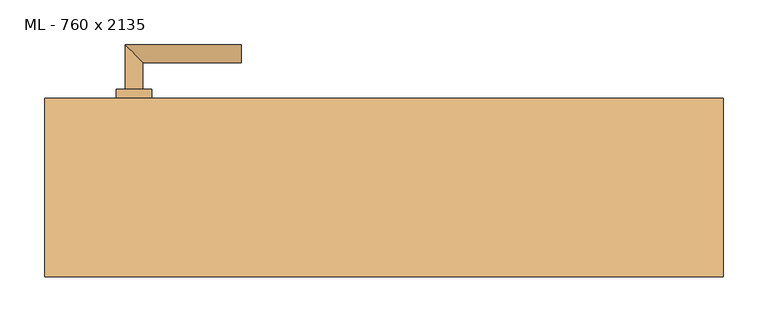
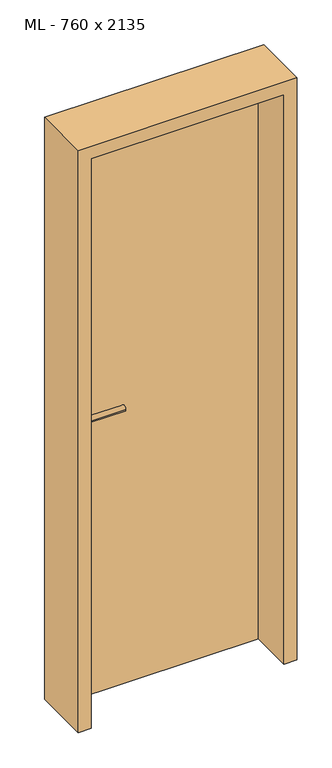
"""IFC4 building model written with IfcOpenShell, lengths in millimetres: door geometry, ML - 760 x 2135."""

import ifcopenshell
import ifcopenshell.guid

model = None  # the IFC model being written
_history = None  # IfcOwnerHistory: only IFC2X3 demands one
_inside = {}  # id of a spatial element -> (the spatial element, [elements in it])
_under = {}  # id of a project, library or spatial element -> (it, [spatial elements below it])
_declared = {}  # id of a project -> (the project, [libraries it declares])
_typed = {}  # id of a type object -> (the type object, [elements of that type])
_made_of = {}  # id of a material, layer set ... -> (it, [elements and type objects made of it])


def new_model(schema):
    """Start an empty IFC model of exactly this schema.

    Asked for "IFC4X3", IfcOpenShell would pick the latest addendum, in which some entities
    have other attributes; the version numbers below select the first issue.
    IFC2X3 requires an IfcOwnerHistory on every rooted entity: one is made here for all.
    """
    global model, _history
    if schema == "IFC4X3":
        model = ifcopenshell.file(schema_version=(4, 3, 0, 0))
    else:
        model = ifcopenshell.file(schema=schema)
    _inside.clear()
    _under.clear()
    _declared.clear()
    _typed.clear()
    _made_of.clear()
    _history = None
    if model.schema == "IFC2X3":
        org = make("IfcOrganization", Name="unknown")
        user = make(
            "IfcPersonAndOrganization",
            ThePerson=make("IfcPerson", FamilyName="unknown"),
            TheOrganization=org,
        )
        app = make(
            "IfcApplication",
            ApplicationDeveloper=org,
            Version="unknown",
            ApplicationFullName="unknown",
            ApplicationIdentifier="unknown",
        )
        _history = make(
            "IfcOwnerHistory",
            OwningUser=user,
            OwningApplication=app,
            ChangeAction="ADDED",
            CreationDate=0,
        )
    return model


def make(cls, **values):
    """One entity of the class cls with the attributes given. An attribute that is None is left unset."""
    return model.create_entity(
        cls, **{name: value for name, value in values.items() if value is not None}
    )


def rooted(cls, **values):
    """An entity with a GlobalId (a new one), such as an element, a storey or a relation."""
    return make(cls, GlobalId=ifcopenshell.guid.new(), OwnerHistory=_history, **values)


def si_unit(unit_type, name, prefix=None):
    """IfcSIUnit, for example si_unit("LENGTHUNIT", "METRE", prefix="MILLI")."""
    return make("IfcSIUnit", UnitType=unit_type, Prefix=prefix, Name=name)


def assignment(units):
    """IfcUnitAssignment: the units of a project."""
    return None if units is None else make("IfcUnitAssignment", Units=units)


def point(xyz):
    """IfcCartesianPoint."""
    return None if xyz is None else make("IfcCartesianPoint", Coordinates=xyz)


def direction(xyz):
    """IfcDirection."""
    return None if xyz is None else make("IfcDirection", DirectionRatios=xyz)


def frame(location, z_axis=None, x_axis=None):
    """IfcAxis2Placement3D, a coordinate frame: its origin and axes. An axis left out is left unset."""
    return make(
        "IfcAxis2Placement3D",
        Location=point(location),
        Axis=direction(z_axis),
        RefDirection=direction(x_axis),
    )


def frame_2d(location, x_axis=None):
    """IfcAxis2Placement2D, a coordinate frame in the plane: its origin and x axis."""
    return make(
        "IfcAxis2Placement2D", Location=point(location), RefDirection=direction(x_axis)
    )


def origin():
    """The frame at (0, 0, 0) with its axes left unset."""
    return frame((0.0, 0.0, 0.0))


def origin_with_axes():
    """The frame at (0, 0, 0) with the z axis (0, 0, 1) and the x axis (1, 0, 0) written out."""
    return frame((0.0, 0.0, 0.0), z_axis=(0.0, 0.0, 1.0), x_axis=(1.0, 0.0, 0.0))


def place(relative_to, where):
    """IfcLocalPlacement: puts the frame where relative to a parent placement (None: the world)."""
    return make(
        "IfcLocalPlacement", PlacementRelTo=relative_to, RelativePlacement=where
    )


def context(
    kind, dimensions, precision=None, world=None, true_north=None, identifier=None
):
    """IfcGeometricRepresentationContext, for example the 3D "Model" context."""
    return make(
        "IfcGeometricRepresentationContext",
        ContextIdentifier=identifier,
        ContextType=kind,
        CoordinateSpaceDimension=dimensions,
        Precision=precision,
        WorldCoordinateSystem=world,
        TrueNorth=true_north,
    )


def project(units=None, contexts=None):
    """IfcProject with its units and contexts."""
    return rooted(
        "IfcProject",
        Name="project",
        RepresentationContexts=contexts,
        UnitsInContext=assignment(units),
    )


def spatial(cls, under=None, at=None, **own):
    """A site, building, storey or space (cls), placed at a placement, below another one or the project."""
    s = rooted(cls, ObjectPlacement=at, **own)
    if under is not None:
        _under.setdefault(under.id(), (under, []))[1].append(s)
    return s


def polyline(points):
    """IfcPolyline through the points."""
    return make("IfcPolyline", Points=[point(p) for p in points])


def circle_curve(where, radius):
    """IfcCircle in the frame where."""
    return make("IfcCircle", Position=where, Radius=radius)


def ellipse_curve(where, semi_axis1, semi_axis2):
    """IfcEllipse in the frame where."""
    return make(
        "IfcEllipse", Position=where, SemiAxis1=semi_axis1, SemiAxis2=semi_axis2
    )


def trimmed(basis, trim1, trim2, sense, master):
    """IfcTrimmedCurve: the piece of a basis curve between two trims."""
    return make(
        "IfcTrimmedCurve",
        BasisCurve=basis,
        Trim1=trim1,
        Trim2=trim2,
        SenseAgreement=sense,
        MasterRepresentation=master,
    )


def segment(curve, same_sense, transition):
    """IfcCompositeCurveSegment."""
    return make(
        "IfcCompositeCurveSegment",
        Transition=transition,
        SameSense=same_sense,
        ParentCurve=curve,
    )


def composite_curve(segments, self_intersect=None):
    """IfcCompositeCurve: segments joined end to end."""
    return make("IfcCompositeCurve", Segments=segments, SelfIntersect=self_intersect)


def outline(outer, holes=None, kind="AREA"):
    """IfcArbitraryClosedProfileDef: a profile drawn as a closed curve; with holes, ...WithVoids."""
    if holes is None:
        return make("IfcArbitraryClosedProfileDef", ProfileType=kind, OuterCurve=outer)
    return make(
        "IfcArbitraryProfileDefWithVoids",
        ProfileType=kind,
        OuterCurve=outer,
        InnerCurves=holes,
    )


def extrude(swept, where, along, depth):
    """IfcExtrudedAreaSolid: the profile swept, set in the frame where, extruded along a direction by depth."""
    return make(
        "IfcExtrudedAreaSolid",
        SweptArea=swept,
        Position=where,
        ExtrudedDirection=direction(along),
        Depth=depth,
    )


def faces_of(points, faces, orient=None, outer=None):
    """IfcFace entities. A face is a list of loops; a loop is a list of indices into points, from 0.

    orient and outer hold one flag for each loop. By default every Orientation is true, the
    first loop of a face is its IfcFaceOuterBound and the others are IfcFaceBound.
    """
    made = []
    for i, loops in enumerate(faces):
        bounds = []
        for j, loop in enumerate(loops):
            is_outer = j == 0 if outer is None else outer[i][j]
            bounds.append(
                make(
                    "IfcFaceOuterBound" if is_outer else "IfcFaceBound",
                    Bound=make("IfcPolyLoop", Polygon=[points[k] for k in loop]),
                    Orientation=True if orient is None else orient[i][j],
                )
            )
        made.append(make("IfcFace", Bounds=bounds))
    return made


def faceted_brep(points, faces, orient=None, outer=None, voids=None):
    """IfcFacetedBrep: a solid bounded by flat faces; with voids (closed shells), ...WithVoids."""
    shared = [point(p) for p in points]
    hull = make("IfcClosedShell", CfsFaces=faces_of(shared, faces, orient, outer))
    if voids is None:
        return make("IfcFacetedBrep", Outer=hull)
    return make(
        "IfcFacetedBrepWithVoids",
        Outer=hull,
        Voids=[
            make(cls, CfsFaces=faces_of(shared, fs, o, b)) for cls, fs, o, b in voids
        ],
    )


def shape(context_of_items, identifier, shape_type, items):
    """IfcShapeRepresentation: the items that make up one representation, for example the "Body"."""
    return make(
        "IfcShapeRepresentation",
        ContextOfItems=context_of_items,
        RepresentationIdentifier=identifier,
        RepresentationType=shape_type,
        Items=items,
    )


def source(mapping_origin, context_of_items, identifier, shape_type, items):
    """IfcRepresentationMap: a shape defined once, which mapped items show again and again."""
    return make(
        "IfcRepresentationMap",
        MappingOrigin=mapping_origin,
        MappedRepresentation=shape(context_of_items, identifier, shape_type, items),
    )


def transform(
    local_origin,
    x_axis=None,
    y_axis=None,
    z_axis=None,
    scale=None,
    scale2=None,
    scale3=None,
    uniform=True,
):
    """IfcCartesianTransformationOperator3D, or its non-uniform kind. x_axis, y_axis, z_axis: its Axis1, 2, 3."""
    if uniform:
        return make(
            "IfcCartesianTransformationOperator3D",
            Axis1=direction(x_axis),
            Axis2=direction(y_axis),
            LocalOrigin=point(local_origin),
            Scale=scale,
            Axis3=direction(z_axis),
        )
    return make(
        "IfcCartesianTransformationOperator3DnonUniform",
        Axis1=direction(x_axis),
        Axis2=direction(y_axis),
        LocalOrigin=point(local_origin),
        Scale=scale,
        Axis3=direction(z_axis),
        Scale2=scale2,
        Scale3=scale3,
    )


def mapped(mapping_source, mapping_target):
    """IfcMappedItem: shows the shape of a source again, moved by a transform."""
    return make(
        "IfcMappedItem", MappingSource=mapping_source, MappingTarget=mapping_target
    )


def made_of(thing, what):
    """Note that an element or type object is made of a material, layer set ...; save() writes the relation."""
    if what is not None:
        _made_of.setdefault(what.id(), (what, []))[1].append(thing)
    return thing


def element(
    cls,
    number,
    at=None,
    inside=None,
    cuts=None,
    type_object=None,
    material=None,
    context=None,
    identifier="Body",
    shape_type=None,
    held_by="IfcProductDefinitionShape",
    body=None,
    shapes=None,
    **own,
):
    """One element of the class cls, such as IfcWall. Its Tag is "e" and its number.

    at: its placement. inside: the storey or other place that contains it. cuts: it is an
    opening in that element (IfcRelVoidsElement). A single representation is given by context,
    identifier, shape_type and body (its items); several are given by shapes. held_by: the class
    of the entity that holds the representations. save() writes the other relations.
    """
    e = rooted(cls, Tag="e%d" % number, ObjectPlacement=at, **own)
    if body is not None:
        shapes = [shape(context, identifier, shape_type, body)]
    if shapes is not None:
        e.Representation = make(held_by, Representations=shapes)
    if inside is not None:
        _inside.setdefault(inside.id(), (inside, []))[1].append(e)
    if cuts is not None:
        rooted(
            "IfcRelVoidsElement", RelatingBuildingElement=cuts, RelatedOpeningElement=e
        )
    if type_object is not None:
        _typed.setdefault(type_object.id(), (type_object, []))[1].append(e)
    return made_of(e, material)


def aggregate(whole, parts):
    """IfcRelAggregates: a whole, such as a stair, and the parts it consists of."""
    return rooted("IfcRelAggregates", RelatingObject=whole, RelatedObjects=parts)


def save(model, path):
    """Write the relations noted so far, then the file.

    IfcRelAggregates (storeys below a building ...), IfcRelContainedInSpatialStructure (elements
    in a storey), IfcRelDefinesByType, IfcRelAssociatesMaterial and IfcRelDeclares: one each for
    every whole, place, type object, material and project.
    """
    for whole, parts in _under.values():
        aggregate(whole, parts)
    for where, things in _inside.values():
        rooted(
            "IfcRelContainedInSpatialStructure",
            RelatedElements=things,
            RelatingStructure=where,
        )
    for kind, things in _typed.values():
        rooted("IfcRelDefinesByType", RelatedObjects=things, RelatingType=kind)
    for what, things in _made_of.values():
        rooted("IfcRelAssociatesMaterial", RelatedObjects=things, RelatingMaterial=what)
    for by, libraries in _declared.values():
        rooted("IfcRelDeclares", RelatingContext=by, RelatedDefinitions=libraries)
    model.write(path)


def plane_surface(at):
    """IfcPlane: the flat surface through the origin of the frame at, square to its z axis."""
    return make("IfcPlane", Position=at)


def cylinder_surface(at, radius):
    """IfcCylindricalSurface: all points at the distance radius from the z axis of the frame at."""
    return make("IfcCylindricalSurface", Position=at, Radius=radius)


def advanced_brep(points, edges, surfaces, faces):
    """IfcAdvancedBrep: a solid bounded by faces that lie on surfaces and meet in shared edges.

    An edge is (start, end): straight between two places in points (the first is 0);
    or (start, end, curve); or (start, end, curve, False) where it runs against its curve.
    A face is (place in surfaces, loops), or (place, loops, False) where it looks against
    its surface's normal. A loop lists edges by number (the first is 1), with a minus sign
    where the edge is run from its end to its start. The first loop is the outer one.
    """
    corners = [point(p) for p in points]
    vertices = [make("IfcVertexPoint", VertexGeometry=c) for c in corners]
    made = []
    for start, end, *more in edges:
        made.append(
            make(
                "IfcEdgeCurve",
                EdgeStart=vertices[start],
                EdgeEnd=vertices[end],
                EdgeGeometry=more[0] if more else make("IfcPolyline", Points=[corners[start], corners[end]]),
                SameSense=more[1] if len(more) > 1 else True,
            )
        )
    hull = []
    for where, loops, *sense in faces:
        bounds = []
        for j, loop in enumerate(loops):
            ring = [make("IfcOrientedEdge", EdgeElement=made[abs(k) - 1], Orientation=k > 0) for k in loop]
            bounds.append(
                make(
                    "IfcFaceOuterBound" if j == 0 else "IfcFaceBound",
                    Bound=make("IfcEdgeLoop", EdgeList=ring),
                    Orientation=True,
                )
            )
        hull.append(make("IfcAdvancedFace", Bounds=bounds, FaceSurface=surfaces[where], SameSense=sense[0] if sense else True))
    return make("IfcAdvancedBrep", Outer=make("IfcClosedShell", CfsFaces=hull))


def ml_760_x_2135_82ea1d2a(model_context):
    return source(origin(), model_context, "Body", "SolidModel", [
        extrude(outline(polyline([(346.0, 100.0), (346.0, 55.0), (-346.0, 55.0), (-346.0, 100.0), (346.0, 100.0)])), origin_with_axes(), (0.0, 0.0, 1.0), 2101.0),
        advanced_brep(
        [(-270.0, 110.0, 1050.0), (-290.0, 110.0, 1050.0), (-270.0, 140.0, 1050.0), (-290.0, 160.0, 1050.0), (-160.0, 140.0, 1050.0), (-160.0, 160.0, 1050.0)],
        [
            (0, 1, circle_curve(frame((-280.0, 110.0, 1050.0), z_axis=(0.0, -1.0, 0.0), x_axis=(-1.0, 0.0, 0.0)), 10.0)),
            (1, 0, circle_curve(frame((-280.0, 110.0, 1050.0), z_axis=(0.0, -1.0, 0.0), x_axis=(-1.0, 0.0, 0.0)), 10.0)),
            (0, 2),
            (2, 3, ellipse_curve(frame((-280.0, 150.0, 1050.0), z_axis=(-0.7071067811865531, -0.7071067811865419, 0.0), x_axis=(0.707106781186542, -0.707106781186553, 0.0)), 14.1421356, 10.0)),
            (3, 1),
            (3, 2, ellipse_curve(frame((-280.0, 150.0, 1050.0), z_axis=(-0.7071067811865531, -0.7071067811865419, 0.0), x_axis=(0.707106781186542, -0.707106781186553, 0.0)), 14.1421356, 10.0)),
            (4, 5, circle_curve(frame((-160.0, 150.0, 1050.0), z_axis=(1.0, 0.0, 0.0), x_axis=(0.0, 1.0, 0.0)), 10.0)),
            (5, 4, circle_curve(frame((-160.0, 150.0, 1050.0), z_axis=(1.0, 0.0, 0.0), x_axis=(0.0, 1.0, 0.0)), 10.0)),
            (2, 4),
            (5, 3),
        ],
        [
            plane_surface(frame((-280.0, 110.0, 1050.0), z_axis=(0.0, -1.0, 0.0), x_axis=(0.0, 0.0, 1.0))),
            cylinder_surface(frame((-280.0, 110.0, 1050.0), z_axis=(0.0, -1.0, 0.0), x_axis=(-1.0, 0.0, 0.0)), 10.0),
            plane_surface(frame((-160.0, 150.0, 1050.0), z_axis=(1.0, 0.0, 0.0), x_axis=(0.0, 0.0, 1.0))),
            cylinder_surface(frame((-280.0, 150.0, 1050.0), z_axis=(-1.0, 0.0, 0.0), x_axis=(0.0, 1.0, 0.0)), 10.0),
        ],
        [
            (0, [[1, 2]]),
            (1, [[-1, 3, 4, 5]]),
            (1, [[-2, -5, 6, -3]]),
            (2, [[7, 8]]),
            (3, [[-4, 9, -8, 10]]),
            (3, [[-6, -10, -7, -9]]),
        ],
    ),
        extrude(outline(composite_curve([segment(trimmed(circle_curve(frame_2d((990.0, -280.0)), 20.0), [point((990.0, -300.0))], [point((990.0, -260.0))], False, "CARTESIAN"), True, "CONTINUOUS"), segment(trimmed(circle_curve(frame_2d((990.0, -280.0)), 20.0), [point((990.0, -260.0))], [point((990.0, -300.0))], False, "CARTESIAN"), True, "CONTINUOUS")], self_intersect=False), holes=[composite_curve([segment(polyline([(976.4601385, -282.397268), (988.4749012, -282.397268)]), True, "CONTINUOUS"), segment(trimmed(circle_curve(frame_2d((995.0361633, -280.0)), 6.9854888), [point((988.4749012, -282.397268))], [point((988.4749012, -277.602732))], True, "CARTESIAN"), True, "CONTINUOUS"), segment(polyline([(988.4749012, -277.602732), (976.4601385, -277.602732)]), True, "CONTINUOUS"), segment(trimmed(circle_curve(frame_2d((976.4601385, -280.0)), 2.397268), [point((976.4601385, -277.602732))], [point((976.4601385, -282.397268))], True, "CARTESIAN"), True, "CONTINUOUS")], self_intersect=False)]), frame((0.0, 100.0, 0.0), z_axis=(0.0, 1.0, 0.0), x_axis=(0.0, 0.0, 1.0)), (0.0, 0.0, 1.0), 10.0),
        advanced_brep(
        [(-270.0, 110.0, 1050.0), (-290.0, 110.0, 1050.0), (-270.0, 140.0, 1050.0), (-290.0, 160.0, 1050.0), (-160.0, 140.0, 1050.0), (-160.0, 160.0, 1050.0)],
        [
            (0, 1, circle_curve(frame((-280.0, 110.0, 1050.0), z_axis=(0.0, -1.0, 0.0), x_axis=(-1.0, 0.0, 0.0)), 10.0)),
            (1, 0, circle_curve(frame((-280.0, 110.0, 1050.0), z_axis=(0.0, -1.0, 0.0), x_axis=(-1.0, 0.0, 0.0)), 10.0)),
            (0, 2),
            (2, 3, ellipse_curve(frame((-280.0, 150.0, 1050.0), z_axis=(-0.7071067811865537, -0.7071067811865414, 0.0), x_axis=(0.7071067811865414, -0.7071067811865536, 0.0)), 14.1421356, 10.0)),
            (3, 1),
            (3, 2, ellipse_curve(frame((-280.0, 150.0, 1050.0), z_axis=(-0.7071067811865537, -0.7071067811865414, 0.0), x_axis=(0.7071067811865414, -0.7071067811865536, 0.0)), 14.1421356, 10.0)),
            (4, 5, circle_curve(frame((-160.0, 150.0, 1050.0), z_axis=(1.0, 0.0, 0.0), x_axis=(0.0, 1.0, 0.0)), 10.0)),
            (5, 4, circle_curve(frame((-160.0, 150.0, 1050.0), z_axis=(1.0, 0.0, 0.0), x_axis=(0.0, 1.0, 0.0)), 10.0)),
            (2, 4),
            (5, 3),
        ],
        [
            plane_surface(frame((-280.0, 110.0, 1050.0), z_axis=(0.0, -1.0, 0.0), x_axis=(0.0, 0.0, 1.0))),
            cylinder_surface(frame((-280.0, 110.0, 1050.0), z_axis=(0.0, -1.0, 0.0), x_axis=(-1.0, 0.0, 0.0)), 10.0),
            plane_surface(frame((-160.0, 150.0, 1050.0), z_axis=(1.0, 0.0, 0.0), x_axis=(0.0, 0.0, 1.0))),
            cylinder_surface(frame((-280.0, 150.0, 1050.0), z_axis=(-1.0, 0.0, 0.0), x_axis=(0.0, 1.0, 0.0)), 10.0),
        ],
        [
            (0, [[1, 2]]),
            (1, [[-1, 3, 4, 5]]),
            (1, [[-2, -5, 6, -3]]),
            (2, [[7, 8]]),
            (3, [[-4, 9, -8, 10]]),
            (3, [[-6, -10, -7, -9]]),
        ],
    ),
        extrude(outline(composite_curve([segment(trimmed(circle_curve(frame_2d((1050.0, -280.0)), 20.0), [point((1050.0, -300.0))], [point((1050.0, -260.0))], False, "CARTESIAN"), True, "CONTINUOUS"), segment(trimmed(circle_curve(frame_2d((1050.0, -280.0)), 20.0), [point((1050.0, -260.0))], [point((1050.0, -300.0))], False, "CARTESIAN"), True, "CONTINUOUS")], self_intersect=False)), frame((0.0, 100.0, 0.0), z_axis=(0.0, 1.0, 0.0), x_axis=(0.0, 0.0, 1.0)), (0.0, 0.0, 1.0), 10.0),
        advanced_brep(
        [(-270.0, 45.0, 1050.0), (-290.0, 45.0, 1050.0), (-290.0, -5.0, 1050.0), (-270.0, 15.0, 1050.0), (-160.0, 15.0, 1050.0), (-160.0, -5.0, 1050.0)],
        [
            (0, 1, circle_curve(frame((-280.0, 45.0, 1050.0), z_axis=(0.0, 1.0, 0.0), x_axis=(-1.0, 0.0, 0.0)), 10.0)),
            (1, 0, circle_curve(frame((-280.0, 45.0, 1050.0), z_axis=(0.0, 1.0, 0.0), x_axis=(-1.0, 0.0, 0.0)), 10.0)),
            (1, 2),
            (2, 3, ellipse_curve(frame((-280.0, 5.0, 1050.0), z_axis=(-0.7071067811865486, 0.7071067811865464, 0.0), x_axis=(0.7071067811865464, 0.7071067811865488, 0.0)), 14.1421356, 10.0)),
            (3, 0),
            (3, 2, ellipse_curve(frame((-280.0, 5.0, 1050.0), z_axis=(-0.7071067811865486, 0.7071067811865464, 0.0), x_axis=(0.7071067811865464, 0.7071067811865488, 0.0)), 14.1421356, 10.0)),
            (4, 5, circle_curve(frame((-160.0, 5.0, 1050.0), z_axis=(1.0, 0.0, 0.0), x_axis=(0.0, -1.0, 0.0)), 10.0)),
            (5, 4, circle_curve(frame((-160.0, 5.0, 1050.0), z_axis=(1.0, 0.0, 0.0), x_axis=(0.0, -1.0, 0.0)), 10.0)),
            (2, 5),
            (4, 3),
        ],
        [
            plane_surface(frame((-280.0, 45.0, 1050.0), z_axis=(0.0, 1.0, 0.0), x_axis=(0.0, 0.0, 1.0))),
            cylinder_surface(frame((-280.0, 45.0, 1050.0), z_axis=(0.0, 1.0, 0.0), x_axis=(-1.0, 0.0, 0.0)), 10.0),
            plane_surface(frame((-160.0, 5.0, 1050.0), z_axis=(1.0, 0.0, 0.0), x_axis=(0.0, 0.0, 1.0))),
            cylinder_surface(frame((-280.0, 5.0, 1050.0), z_axis=(-1.0, 0.0, 0.0), x_axis=(0.0, -1.0, 0.0)), 10.0),
        ],
        [
            (0, [[1, 2]]),
            (1, [[3, 4, 5, -2]]),
            (1, [[-5, 6, -3, -1]]),
            (2, [[7, 8]]),
            (3, [[9, -7, 10, -4]]),
            (3, [[-10, -8, -9, -6]]),
        ],
    ),
        extrude(outline(composite_curve([segment(trimmed(circle_curve(frame_2d((990.0, -280.0)), 20.0), [point((990.0, -300.0))], [point((990.0, -260.0))], False, "CARTESIAN"), True, "CONTINUOUS"), segment(trimmed(circle_curve(frame_2d((990.0, -280.0)), 20.0), [point((990.0, -260.0))], [point((990.0, -300.0))], False, "CARTESIAN"), True, "CONTINUOUS")], self_intersect=False), holes=[composite_curve([segment(polyline([(976.4601385, -282.397268), (988.4749012, -282.397268)]), True, "CONTINUOUS"), segment(trimmed(circle_curve(frame_2d((995.0361633, -280.0)), 6.9854888), [point((988.4749012, -282.397268))], [point((988.4749012, -277.602732))], True, "CARTESIAN"), True, "CONTINUOUS"), segment(polyline([(988.4749012, -277.602732), (976.4601385, -277.602732)]), True, "CONTINUOUS"), segment(trimmed(circle_curve(frame_2d((976.4601385, -280.0)), 2.397268), [point((976.4601385, -277.602732))], [point((976.4601385, -282.397268))], True, "CARTESIAN"), True, "CONTINUOUS")], self_intersect=False)]), frame((0.0, 45.0, 0.0), z_axis=(0.0, 1.0, 0.0), x_axis=(0.0, 0.0, 1.0)), (0.0, 0.0, 1.0), 10.0),
        advanced_brep(
        [(-270.0, 45.0, 1050.0), (-290.0, 45.0, 1050.0), (-290.0, -5.0, 1050.0), (-270.0, 15.0, 1050.0), (-160.0, 15.0, 1050.0), (-160.0, -5.0, 1050.0)],
        [
            (0, 1, circle_curve(frame((-280.0, 45.0, 1050.0), z_axis=(0.0, 1.0, 0.0), x_axis=(-1.0, 0.0, 0.0)), 10.0)),
            (1, 0, circle_curve(frame((-280.0, 45.0, 1050.0), z_axis=(0.0, 1.0, 0.0), x_axis=(-1.0, 0.0, 0.0)), 10.0)),
            (1, 2),
            (2, 3, ellipse_curve(frame((-280.0, 5.0, 1050.0), z_axis=(-0.7071067811865491, 0.7071067811865459, 0.0), x_axis=(0.7071067811865458, 0.7071067811865492, 0.0)), 14.1421356, 10.0)),
            (3, 0),
            (3, 2, ellipse_curve(frame((-280.0, 5.0, 1050.0), z_axis=(-0.7071067811865491, 0.7071067811865459, 0.0), x_axis=(0.7071067811865458, 0.7071067811865492, 0.0)), 14.1421356, 10.0)),
            (4, 5, circle_curve(frame((-160.0, 5.0, 1050.0), z_axis=(1.0, 0.0, 0.0), x_axis=(0.0, -1.0, 0.0)), 10.0)),
            (5, 4, circle_curve(frame((-160.0, 5.0, 1050.0), z_axis=(1.0, 0.0, 0.0), x_axis=(0.0, -1.0, 0.0)), 10.0)),
            (2, 5),
            (4, 3),
        ],
        [
            plane_surface(frame((-280.0, 45.0, 1050.0), z_axis=(0.0, 1.0, 0.0), x_axis=(0.0, 0.0, 1.0))),
            cylinder_surface(frame((-280.0, 45.0, 1050.0), z_axis=(0.0, 1.0, 0.0), x_axis=(-1.0, 0.0, 0.0)), 10.0),
            plane_surface(frame((-160.0, 5.0, 1050.0), z_axis=(1.0, 0.0, 0.0), x_axis=(0.0, 0.0, 1.0))),
            cylinder_surface(frame((-280.0, 5.0, 1050.0), z_axis=(-1.0, 0.0, 0.0), x_axis=(0.0, -1.0, 0.0)), 10.0),
        ],
        [
            (0, [[1, 2]]),
            (1, [[3, 4, 5, -2]]),
            (1, [[-5, 6, -3, -1]]),
            (2, [[7, 8]]),
            (3, [[9, -7, 10, -4]]),
            (3, [[-10, -8, -9, -6]]),
        ],
    ),
        extrude(outline(composite_curve([segment(trimmed(circle_curve(frame_2d((1050.0, -280.0)), 20.0), [point((1050.0, -300.0))], [point((1050.0, -260.0))], False, "CARTESIAN"), True, "CONTINUOUS"), segment(trimmed(circle_curve(frame_2d((1050.0, -280.0)), 20.0), [point((1050.0, -260.0))], [point((1050.0, -300.0))], False, "CARTESIAN"), True, "CONTINUOUS")], self_intersect=False)), frame((0.0, 45.0, 0.0), z_axis=(0.0, 1.0, 0.0), x_axis=(0.0, 0.0, 1.0)), (0.0, 0.0, 1.0), 10.0),
        faceted_brep([(-350.0, 100.0, 0.0), (-350.0, 55.0, 0.0), (-335.0, 55.0, 0.0), (-335.0, -100.0, 0.0), (-380.0, -100.0, 0.0), (-380.0, 100.0, 0.0), (-350.0, 100.0, 2105.0), (-350.0, 55.0, 2105.0), (350.0, 55.0, 2105.0), (350.0, 55.0, 0.0), (335.0, 55.0, 0.0), (335.0, 55.0, 2090.0), (-335.0, 55.0, 2090.0), (-335.0, -100.0, 2090.0), (335.0, -100.0, 2090.0), (335.0, -100.0, 0.0), (380.0, -100.0, 0.0), (380.0, -100.0, 2135.0), (-380.0, -100.0, 2135.0), (-380.0, 100.0, 2135.0), (380.0, 100.0, 2135.0), (380.0, 100.0, 0.0), (350.0, 100.0, 0.0), (350.0, 100.0, 2105.0)], [[[0, 1, 2, 3, 4, 5]], [[1, 0, 6, 7]], [[2, 1, 7, 8, 9, 10, 11, 12]], [[3, 2, 12, 13]], [[4, 3, 13, 14, 15, 16, 17, 18]], [[5, 4, 18, 19]], [[0, 5, 19, 20, 21, 22, 23, 6]], [[20, 17, 16, 21]], [[22, 21, 16, 15, 10, 9]], [[8, 23, 22, 9]], [[14, 11, 10, 15]], [[19, 18, 17, 20]], [[13, 12, 11, 14]], [[7, 6, 23, 8]]]),
    ])


if __name__ == "__main__":
    model = new_model("IFC4")
    model_context = context("Model", 3, world=origin())
    ifc_project = project(units=[si_unit("LENGTHUNIT", "METRE", prefix="MILLI")], contexts=[model_context])
    site = spatial("IfcSite", under=ifc_project)
    building = spatial("IfcBuilding", under=site)
    placement = place(None, origin())
    ml_760_x_2135_shape = ml_760_x_2135_82ea1d2a(model_context)
    element("IfcDoor", 1, ObjectType="ML - 760 x 2135", at=placement, inside=building, context=model_context, shape_type="MappedRepresentation", body=[
        mapped(ml_760_x_2135_shape, transform((0.0, 0.0, 0.0), x_axis=(1.0, 0.0, 0.0), y_axis=(0.0, 1.0, 0.0), z_axis=(0.0, 0.0, 1.0))),
    ])
    save(model, "model.ifc")
